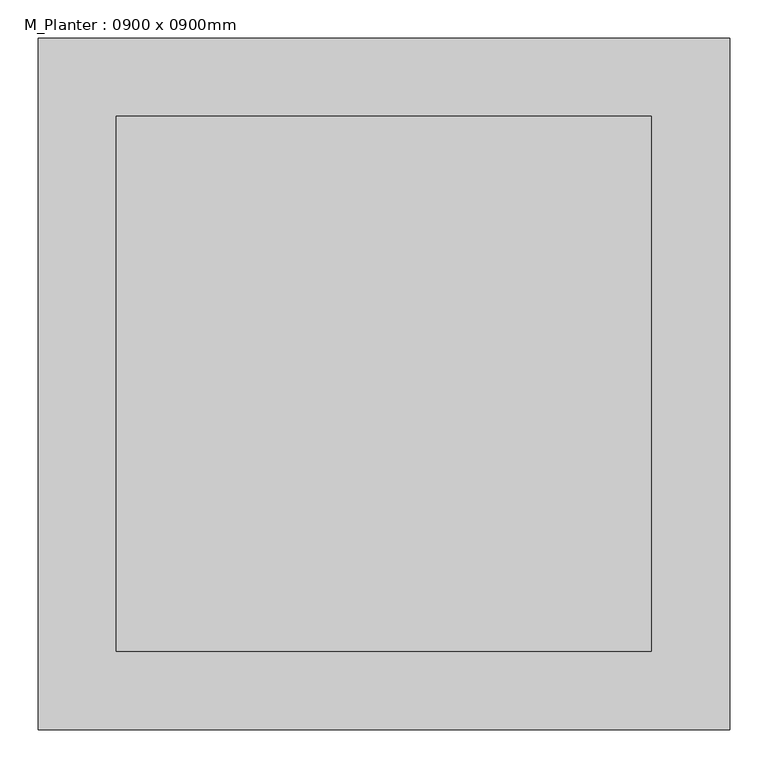
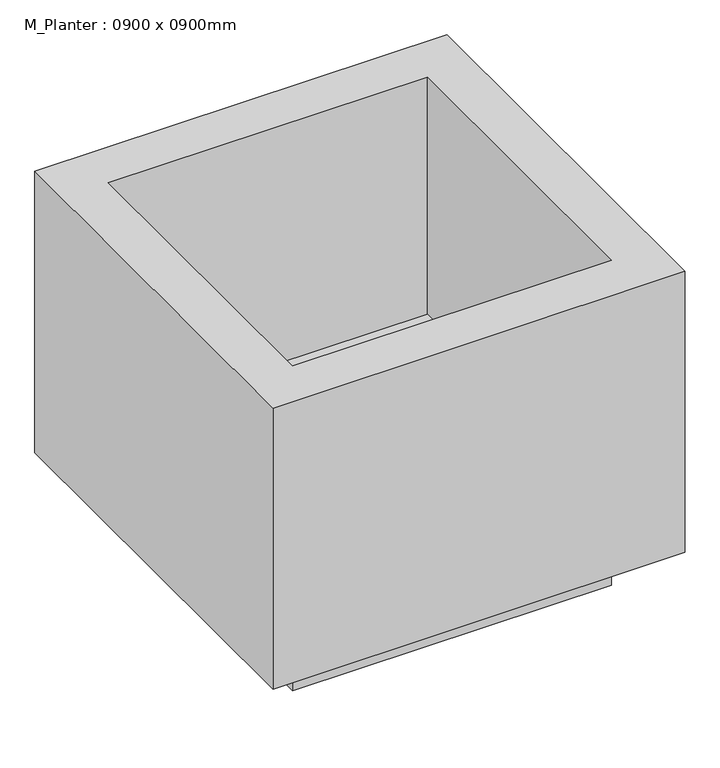
"""IFC4 building model written with IfcOpenShell, lengths in millimetres: geographic element geometry, M_Planter : 0900 x 0900mm."""

from ifc_helpers import new_model, si_unit, origin, origin_with_axes, place, context, project, spatial, polyline, outline, extrude, faceted_brep, source, transform, mapped, element, save


def m_planter_0900_x_0900mm_185fc08d(model_context):
    return source(origin(), model_context, "Body", "SolidModel", [
        extrude(outline(polyline([(348.4, 348.4), (348.4, -348.4), (-348.4, -348.4), (-348.4, 348.4), (348.4, 348.4)])), origin_with_axes(), (0.0, 0.0, 1.0), 101.6),
        faceted_brep([(450.0, 450.0, 750.0), (-450.0, 450.0, 750.0), (-450.0, -450.0, 750.0), (450.0, -450.0, 750.0), (-348.4, 348.4, 750.0), (348.4, 348.4, 750.0), (348.4, -348.4, 750.0), (-348.4, -348.4, 750.0), (450.0, 450.0, 101.6), (450.0, -450.0, 101.6), (-450.0, -450.0, 101.6), (-450.0, 450.0, 101.6), (348.4, 348.4, 203.2), (-348.4, 348.4, 203.2), (-348.4, -348.4, 203.2), (348.4, -348.4, 203.2)], [[[0, 1, 2, 3], [4, 5, 6, 7]], [[8, 9, 10, 11]], [[1, 0, 8, 11]], [[2, 1, 11, 10]], [[3, 2, 10, 9]], [[0, 3, 9, 8]], [[12, 13, 14, 15]], [[13, 12, 5, 4]], [[14, 13, 4, 7]], [[15, 14, 7, 6]], [[12, 15, 6, 5]]]),
    ])


if __name__ == "__main__":
    model = new_model("IFC4")
    model_context = context("Model", 3, world=origin())
    ifc_project = project(units=[si_unit("LENGTHUNIT", "METRE", prefix="MILLI")], contexts=[model_context])
    site = spatial("IfcSite", under=ifc_project)
    building = spatial("IfcBuilding", under=site)
    placement = place(None, origin())
    m_planter_0900_x_0900mm_shape = m_planter_0900_x_0900mm_185fc08d(model_context)
    element("IfcGeographicElement", 1, ObjectType="M_Planter : 0900 x 0900mm", at=placement, inside=building, context=model_context, shape_type="MappedRepresentation", body=[
        mapped(m_planter_0900_x_0900mm_shape, transform((0.0, 0.0, 0.0), x_axis=(1.0, 0.0, 0.0), y_axis=(0.0, 1.0, 0.0), z_axis=(0.0, 0.0, 1.0))),
    ])
    save(model, "model.ifc")
